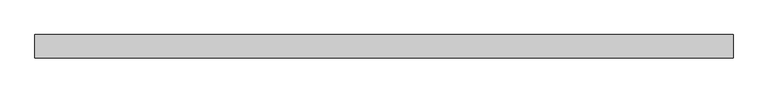
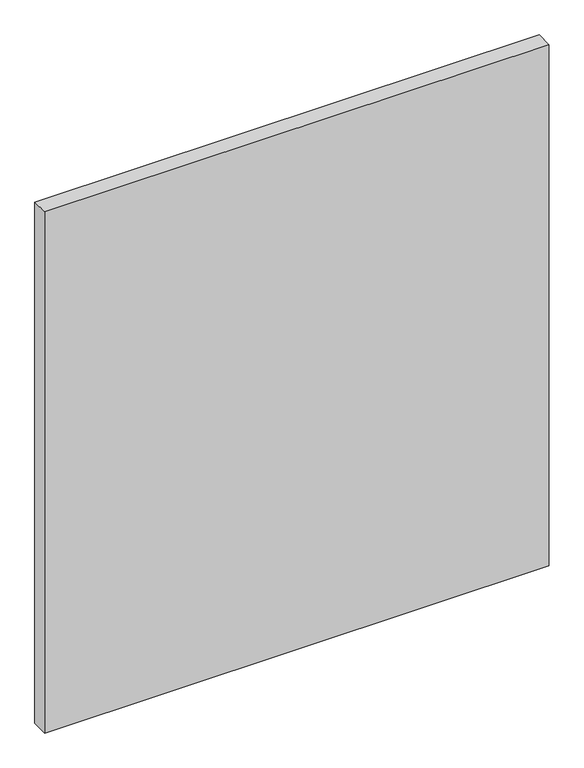
"""IFC4 building model written with IfcOpenShell, lengths in millimetres: plate geometry."""

from ifc_helpers import new_model, si_unit, origin, origin_with_axes, place, context, project, spatial, polyline, outline, extrude, source, transform, mapped, element, save


def plate_171a59f6(model_context):
    return source(origin(), model_context, "Body", "SweptSolid", [
        extrude(outline(polyline([(523.8125, -17.5), (-523.8125, -17.5), (-523.8125, 17.5), (523.8125, 17.5), (523.8125, -17.5)])), origin_with_axes(), (0.0, 0.0, 1.0), 1143.8125),
    ])


if __name__ == "__main__":
    model = new_model("IFC4")
    model_context = context("Model", 3, world=origin())
    ifc_project = project(units=[si_unit("LENGTHUNIT", "METRE", prefix="MILLI")], contexts=[model_context])
    site = spatial("IfcSite", under=ifc_project)
    building = spatial("IfcBuilding", under=site)
    placement = place(None, origin())
    plate_shape = plate_171a59f6(model_context)
    element("IfcPlate", 1, at=placement, inside=building, context=model_context, shape_type="MappedRepresentation", body=[
        mapped(plate_shape, transform((0.0, 0.0, 0.0), x_axis=(1.0, 0.0, 0.0), y_axis=(0.0, 1.0, 0.0), z_axis=(0.0, 0.0, 1.0))),
    ])
    save(model, "model.ifc")
